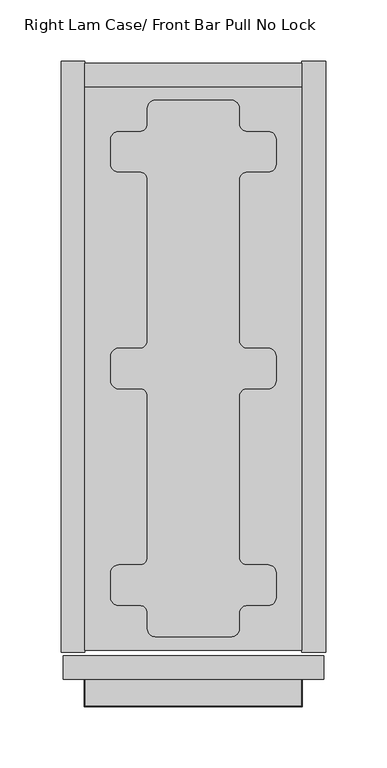
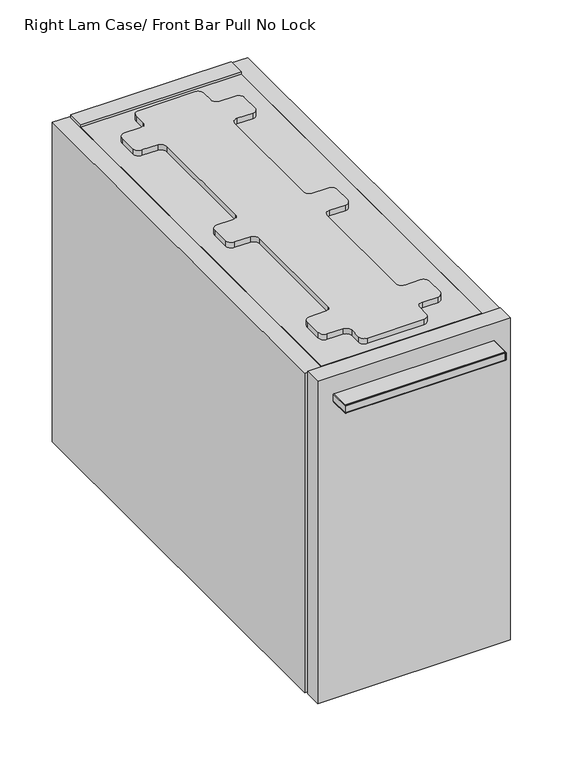
"""IFC4 building model written with IfcOpenShell, lengths in millimetres: furniture geometry, Right Lam Case/ Front Bar Pull No Lock."""

from ifc_helpers import new_model, si_unit, point, frame, frame_2d, origin, place, context, project, spatial, polyline, circle_curve, ellipse_curve, trimmed, segment, composite_curve, outline, extrude, source, transform, mapped, element, save
from ifc_brep_helpers import plane_surface, cylinder_surface, revolved_surface, advanced_brep


def right_lam_case_front_bar_pull_no_lock_b028e070(model_context):
    return source(origin(), model_context, "Body", "SolidModel", [
        advanced_brep(
        [(19.7683778, -581.1520271, 637.437981), (49.4603655, -581.1520271, 637.437981), (49.4637762, -597.06699, 637.437981), (166.4396285, -597.06699, 637.437981), (166.4430392, -581.1520271, 637.437981), (196.1316162, -581.1520271, 637.437981), (196.1316162, -602.6150339, 637.437981), (19.7683778, -602.6150339, 637.437981), (196.1316162, -581.1520271, 646.962981), (19.7683778, -581.1520271, 646.962981), (19.7683778, -602.6150339, 646.962981), (196.1316162, -602.6150339, 646.962981), (165.6442639, -581.1520271, 638.1487745), (159.3341925, -581.1520271, 643.7879532), (56.5658015, -581.1520271, 643.7879532), (50.2557301, -581.1520271, 638.1487745), (56.5658015, -597.06699, 643.7879532), (159.3341925, -597.06699, 643.7879532), (165.6442639, -597.06699, 638.1487745), (50.2557301, -597.06699, 638.1487745)],
        [
            (0, 1),
            (1, 2),
            (2, 3),
            (3, 4),
            (4, 5),
            (5, 6),
            (6, 7),
            (7, 0),
            (8, 9),
            (9, 10),
            (10, 11),
            (11, 8),
            (8, 5),
            (4, 12, circle_curve(frame((166.4396285, -581.1520271, 638.2383687), z_axis=(0.0, 1.0, 0.0), x_axis=(0.0, 0.0, -1.0)), 0.8003949)),
            (12, 13, circle_curve(frame((159.3341925, -581.1520271, 637.4379738), z_axis=(0.0, -1.0, 0.0), x_axis=(0.0, 0.0, -1.0)), 6.3499794)),
            (13, 14),
            (14, 15, circle_curve(frame((56.5658015, -581.1520271, 637.4379738), z_axis=(0.0, -1.0, 0.0), x_axis=(0.0, 0.0, -1.0)), 6.3499794)),
            (15, 1, circle_curve(frame((49.4603655, -581.1520271, 638.2383687), z_axis=(0.0, 1.0, 0.0), x_axis=(0.0, 0.0, -1.0)), 0.8003949)),
            (0, 9),
            (7, 10),
            (6, 11),
            (16, 17),
            (17, 18, circle_curve(frame((159.3341925, -597.06699, 637.4379738), z_axis=(0.0, 1.0, 0.0), x_axis=(0.0, 0.0, -1.0)), 6.3499794)),
            (18, 3, circle_curve(frame((166.4396285, -597.06699, 638.2383687), z_axis=(0.0, -1.0, 0.0), x_axis=(0.0, 0.0, -1.0)), 0.8003949)),
            (2, 19, circle_curve(frame((49.4603655, -597.06699, 638.2383687), z_axis=(0.0, -1.0, 0.0), x_axis=(0.0, 0.0, -1.0)), 0.8003949)),
            (19, 16, circle_curve(frame((56.5658015, -597.06699, 637.4379738), z_axis=(0.0, 1.0, 0.0), x_axis=(0.0, 0.0, -1.0)), 6.3499794)),
            (19, 15),
            (14, 16),
            (18, 12),
            (17, 13),
        ],
        [
            plane_surface(frame((-88.5000089, -581.1520271, 637.437981), z_axis=(0.0, 0.0, -1.0), x_axis=(-1.0, 0.0, 0.0))),
            plane_surface(frame((-88.5000089, -581.1520271, 646.962981), z_axis=(0.0, 0.0, 1.0), x_axis=(1.0, 0.0, 0.0))),
            plane_surface(frame((196.1316162, -581.1520271, 637.437981), z_axis=(0.0, 1.0, 0.0), x_axis=(0.0, 0.0, 1.0))),
            plane_surface(frame((19.7683778, -581.1520271, 637.437981), z_axis=(-1.0, 0.0, 0.0), x_axis=(0.0, 0.0, 1.0))),
            plane_surface(frame((19.7683778, -602.6150339, 637.437981), z_axis=(0.0, -1.0, 0.0), x_axis=(0.0, 0.0, 1.0))),
            plane_surface(frame((196.1316162, -602.6150339, 637.437981), z_axis=(1.0, 0.0, 0.0), x_axis=(0.0, 0.0, 1.0))),
            plane_surface(frame((107.949997, -597.06699, 642.200481), z_axis=(0.0, 1.0, 0.0), x_axis=(-1.0, 0.0, 0.0))),
            revolved_surface(polyline([(56.5658015, -581.1520271, 631.0879944), (56.5658015, -597.06699, 631.0879944)]), (56.5658015, -581.1520271, 637.4379738), (0.0, 1.0, 0.0)),
            cylinder_surface(frame((49.4603655, -581.1520271, 638.2383687), z_axis=(0.0, -1.0, 0.0), x_axis=(0.0, 0.0, -1.0)), 0.8003949),
            cylinder_surface(frame((166.4396285, -581.1520271, 638.2383687), z_axis=(0.0, -1.0, 0.0), x_axis=(0.0, 0.0, -1.0)), 0.8003949),
            revolved_surface(polyline([(159.3341925, -581.1520271, 631.0879944), (159.3341925, -597.06699, 631.0879944)]), (159.3341925, -581.1520271, 637.4379738), (0.0, 1.0, 0.0)),
            plane_surface(frame((159.3341925, -581.1520271, 643.7879532), z_axis=(0.0, 0.0, -1.0), x_axis=(0.0, -1.0, 0.0))),
        ],
        [
            (0, [[1, 2, 3, 4, 5, 6, 7, 8]]),
            (1, [[9, 10, 11, 12]]),
            (2, [[13, -5, 14, 15, 16, 17, 18, -1, 19, -9]]),
            (3, [[20, -10, -19, -8]]),
            (4, [[21, -11, -20, -7]]),
            (5, [[-13, -12, -21, -6]]),
            (6, [[22, 23, 24, -3, 25, 26]]),
            (7, [[27, -17, 28, -26]]),
            (8, [[-2, -18, -27, -25]]),
            (9, [[29, -14, -4, -24]]),
            (10, [[30, -15, -29, -23]]),
            (11, [[-28, -16, -30, -22]]),
        ],
    ),
        advanced_brep(
        [(196.1316162, -581.1520271, 637.4379629), (196.1316162, -581.1520271, 646.9577374), (196.8935973, -581.1520271, 646.1957018), (196.8935973, -581.1520271, 638.1999258), (196.8935973, -603.377015, 638.1999258), (196.1316162, -602.6150339, 637.4379629), (196.8935973, -603.377015, 646.1957018), (196.1316162, -602.6150339, 646.9577374), (19.0063967, -603.377015, 638.1999258), (19.7683778, -602.6150339, 637.4379629), (19.0063967, -603.377015, 646.1957018), (19.7683778, -602.6150339, 646.9577374), (19.7683778, -581.1520271, 637.4379629), (19.0063967, -581.1520271, 638.1999258), (19.0063967, -581.1520271, 646.1957018), (19.7683778, -581.1520271, 646.9577374)],
        [
            (0, 1),
            (1, 2, circle_curve(frame((196.1315617, -581.1520271, 646.1957018), z_axis=(0.0, 1.0, 0.0), x_axis=(-1.0, 0.0, 0.0)), 0.7620356)),
            (2, 3),
            (3, 0, circle_curve(frame((196.1316343, -581.1520271, 638.1999258), z_axis=(0.0, 1.0, 0.0), x_axis=(-1.0, 0.0, 0.0)), 0.7619629)),
            (3, 4),
            (4, 5, ellipse_curve(frame((196.1316343, -602.6150521, 638.1999258), z_axis=(0.7071067811865492, 0.7071067811865458, 0.0), x_axis=(-0.7071067811865457, 0.7071067811865492, 0.0)), 1.0775783, 0.7619629)),
            (5, 0),
            (2, 6),
            (6, 4),
            (1, 7),
            (7, 6, ellipse_curve(frame((196.1315617, -602.6149794, 646.1957018), z_axis=(0.7071067811865492, 0.7071067811865458, 0.0), x_axis=(-0.7071067811865457, 0.7071067811865492, 0.0)), 1.0776811, 0.7620356)),
            (5, 7),
            (4, 8),
            (8, 9, ellipse_curve(frame((19.7683596, -602.6150521, 638.1999258), z_axis=(0.7071067811865458, -0.7071067811865492, 0.0), x_axis=(0.7071067811865492, 0.7071067811865457, 0.0)), 1.0775783, 0.7619629)),
            (9, 5),
            (6, 10),
            (10, 8),
            (7, 11),
            (11, 10, ellipse_curve(frame((19.7684323, -602.6149794, 646.1957018), z_axis=(0.7071067811865458, -0.7071067811865492, 0.0), x_axis=(0.7071067811865492, 0.7071067811865457, 0.0)), 1.0776811, 0.7620356)),
            (9, 11),
            (12, 13, circle_curve(frame((19.7683596, -581.1520271, 638.1999258), z_axis=(0.0, 1.0, 0.0), x_axis=(1.0, 0.0, 0.0)), 0.7619629)),
            (13, 14),
            (14, 15, circle_curve(frame((19.7684323, -581.1520271, 646.1957018), z_axis=(0.0, 1.0, 0.0), x_axis=(1.0, 0.0, 0.0)), 0.7620356)),
            (15, 12),
            (8, 13),
            (12, 9),
            (10, 14),
            (11, 15),
        ],
        [
            plane_surface(frame((196.5959942, -581.1520271, 642.200481), z_axis=(0.0, 1.0, 0.0), x_axis=(0.0, 0.0, 1.0))),
            cylinder_surface(frame((196.1316343, -581.1520271, 638.1999258), z_axis=(0.0, 1.0, 0.0), x_axis=(-1.0, 0.0, 0.0)), 0.7619629),
            plane_surface(frame((196.8935973, -581.1520271, 638.1999258), z_axis=(1.0, 0.0, 0.0), x_axis=(0.0, -1.0, 0.0))),
            cylinder_surface(frame((196.1315617, -581.1520271, 646.1957018), z_axis=(0.0, 1.0, 0.0), x_axis=(-1.0, 0.0, 0.0)), 0.7620356),
            plane_surface(frame((196.1316162, -581.1520271, 646.9577374), z_axis=(-1.0, 0.0, 0.0), x_axis=(0.0, -1.0, 0.0))),
            cylinder_surface(frame((196.5959942, -602.6150521, 638.1999258), z_axis=(1.0, 0.0, 0.0), x_axis=(0.0, 1.0, 0.0)), 0.7619629),
            plane_surface(frame((196.8935973, -603.377015, 638.1999258), z_axis=(0.0, -1.0, 0.0), x_axis=(-1.0, 0.0, 0.0))),
            cylinder_surface(frame((196.5959942, -602.6149794, 646.1957018), z_axis=(1.0, 0.0, 0.0), x_axis=(0.0, 1.0, 0.0)), 0.7620356),
            plane_surface(frame((196.1316162, -602.6150339, 646.9577374), z_axis=(0.0, 1.0, 0.0), x_axis=(-1.0, 0.0, 0.0))),
            plane_surface(frame((19.3039998, -581.1520271, 642.200481), z_axis=(0.0, 1.0, 0.0), x_axis=(0.0, 0.0, 1.0))),
            cylinder_surface(frame((19.7683596, -603.0794119, 638.1999258), z_axis=(0.0, -1.0, 0.0), x_axis=(1.0, 0.0, 0.0)), 0.7619629),
            plane_surface(frame((19.0063967, -603.377015, 638.1999258), z_axis=(-1.0, 0.0, 0.0), x_axis=(0.0, 1.0, 0.0))),
            cylinder_surface(frame((19.7684323, -603.0794119, 646.1957018), z_axis=(0.0, -1.0, 0.0), x_axis=(1.0, 0.0, 0.0)), 0.7620356),
            plane_surface(frame((19.7683778, -602.6150339, 646.9577374), z_axis=(1.0, 0.0, 0.0), x_axis=(0.0, 1.0, 0.0))),
        ],
        [
            (0, [[1, 2, 3, 4]]),
            (1, [[5, 6, 7, -4]]),
            (2, [[8, 9, -5, -3]]),
            (3, [[10, 11, -8, -2]]),
            (4, [[-7, 12, -10, -1]]),
            (5, [[13, 14, 15, -6]]),
            (6, [[16, 17, -13, -9]]),
            (7, [[18, 19, -16, -11]]),
            (8, [[-15, 20, -18, -12]]),
            (9, [[21, 22, 23, 24]]),
            (10, [[25, -21, 26, -14]]),
            (11, [[27, -22, -25, -17]]),
            (12, [[28, -23, -27, -19]]),
            (13, [[-26, -24, -28, -20]]),
        ],
    ),
        extrude(outline(composite_curve([segment(trimmed(circle_curve(frame_2d((139.0999988, -114.4669956)), 6.3499939), [point((139.0999988, -108.1170017))], [point((145.4499927, -114.4669956))], False, "CARTESIAN"), True, "CONTINUOUS"), segment(polyline([(145.4499927, -114.4669956), (145.4499927, -127.2670047)]), True, "CONTINUOUS"), segment(trimmed(circle_curve(frame_2d((151.7999957, -127.2670047)), 6.350003), [point((145.4499927, -127.2670047))], [point((151.7999957, -133.6170077))], True, "CARTESIAN"), True, "CONTINUOUS"), segment(polyline([(151.7999957, -133.6170077), (169.0999981, -133.6170077)]), True, "CONTINUOUS"), segment(trimmed(circle_curve(frame_2d((169.0999981, -139.9670016)), 6.3499939), [point((169.0999981, -133.6170077))], [point((175.449992, -139.9670016))], False, "CARTESIAN"), True, "CONTINUOUS"), segment(polyline([(175.449992, -139.9670016), (175.449992, -160.2670116)]), True, "CONTINUOUS"), segment(trimmed(circle_curve(frame_2d((169.0999936, -160.2670116)), 6.3499985), [point((175.449992, -160.2670116))], [point((169.0999936, -166.6170101))], False, "CARTESIAN"), True, "CONTINUOUS"), segment(polyline([(169.0999936, -166.6170101), (151.7999957, -166.6170101)]), True, "CONTINUOUS"), segment(trimmed(circle_curve(frame_2d((151.7999957, -172.9670131)), 6.350003), [point((151.7999957, -166.6170101))], [point((145.4499927, -172.9670131))], True, "CARTESIAN"), True, "CONTINUOUS"), segment(polyline([(145.4499927, -172.9670131), (145.4499927, -304.2670111)]), True, "CONTINUOUS"), segment(trimmed(circle_curve(frame_2d((151.7999957, -304.2670111)), 6.350003), [point((145.4499927, -304.2670111))], [point((151.7999957, -310.6170141))], True, "CARTESIAN"), True, "CONTINUOUS"), segment(polyline([(151.7999957, -310.6170141), (169.1000163, -310.6170141)]), True, "CONTINUOUS"), segment(trimmed(circle_curve(frame_2d((169.1000163, -316.9669899)), 6.3499758), [point((169.1000163, -310.6170141))], [point((175.449992, -316.9669899))], False, "CARTESIAN"), True, "CONTINUOUS"), segment(polyline([(175.449992, -316.9669899), (175.449992, -337.2670044)]), True, "CONTINUOUS"), segment(trimmed(circle_curve(frame_2d((169.1000163, -337.2670044)), 6.3499758), [point((175.449992, -337.2670044))], [point((169.1000163, -343.6169802))], False, "CARTESIAN"), True, "CONTINUOUS"), segment(polyline([(169.1000163, -343.6169802), (151.7999957, -343.6169802)]), True, "CONTINUOUS"), segment(trimmed(circle_curve(frame_2d((151.7999957, -349.9669832)), 6.350003), [point((151.7999957, -343.6169802))], [point((145.4499927, -349.9669832))], True, "CARTESIAN"), True, "CONTINUOUS"), segment(polyline([(145.4499927, -349.9669832), (145.4499927, -481.2669812)]), True, "CONTINUOUS"), segment(trimmed(circle_curve(frame_2d((151.7999957, -481.2669812)), 6.350003), [point((145.4499927, -481.2669812))], [point((151.7999957, -487.6169842))], True, "CARTESIAN"), True, "CONTINUOUS"), segment(polyline([(151.7999957, -487.6169842), (169.0999936, -487.6169842)]), True, "CONTINUOUS"), segment(trimmed(circle_curve(frame_2d((169.0999936, -493.9669827)), 6.3499985), [point((169.0999936, -487.6169842))], [point((175.449992, -493.9669827))], False, "CARTESIAN"), True, "CONTINUOUS"), segment(polyline([(175.449992, -493.9669827), (175.449992, -514.2669927)]), True, "CONTINUOUS"), segment(trimmed(circle_curve(frame_2d((169.0999981, -514.2669927)), 6.3499939), [point((175.449992, -514.2669927))], [point((169.0999981, -520.6169867))], False, "CARTESIAN"), True, "CONTINUOUS"), segment(polyline([(169.0999981, -520.6169867), (151.7999957, -520.6169867)]), True, "CONTINUOUS"), segment(trimmed(circle_curve(frame_2d((151.7999957, -526.9669897)), 6.350003), [point((151.7999957, -520.6169867))], [point((145.4499927, -526.9669897))], True, "CARTESIAN"), True, "CONTINUOUS"), segment(polyline([(145.4499927, -526.9669897), (145.4499927, -539.7669987)]), True, "CONTINUOUS"), segment(trimmed(circle_curve(frame_2d((139.0999988, -539.7669987)), 6.3499939), [point((145.4499927, -539.7669987))], [point((139.0999988, -546.1169927))], False, "CARTESIAN"), True, "CONTINUOUS"), segment(polyline([(139.0999988, -546.1169927), (76.7999952, -546.1169927)]), True, "CONTINUOUS"), segment(trimmed(circle_curve(frame_2d((76.7999952, -539.7669987)), 6.3499939), [point((76.7999952, -546.1169927))], [point((70.4500012, -539.7669987))], False, "CARTESIAN"), True, "CONTINUOUS"), segment(polyline([(70.4500012, -539.7669987), (70.4500012, -526.9669897)]), True, "CONTINUOUS"), segment(trimmed(circle_curve(frame_2d((64.0999982, -526.9669897)), 6.350003), [point((70.4500012, -526.9669897))], [point((64.0999982, -520.6169867))], True, "CARTESIAN"), True, "CONTINUOUS"), segment(polyline([(64.0999982, -520.6169867), (46.7999959, -520.6169867)]), True, "CONTINUOUS"), segment(trimmed(circle_curve(frame_2d((46.7999959, -514.2669927)), 6.3499939), [point((46.7999959, -520.6169867))], [point((40.4500019, -514.2669927))], False, "CARTESIAN"), True, "CONTINUOUS"), segment(polyline([(40.4500019, -514.2669927), (40.4500019, -493.9669827)]), True, "CONTINUOUS"), segment(trimmed(circle_curve(frame_2d((46.8000004, -493.9669827)), 6.3499985), [point((40.4500019, -493.9669827))], [point((46.8000004, -487.6169842))], False, "CARTESIAN"), True, "CONTINUOUS"), segment(polyline([(46.8000004, -487.6169842), (64.0999982, -487.6169842)]), True, "CONTINUOUS"), segment(trimmed(circle_curve(frame_2d((64.0999982, -481.2669812)), 6.350003), [point((64.0999982, -487.6169842))], [point((70.4500012, -481.2669812))], True, "CARTESIAN"), True, "CONTINUOUS"), segment(polyline([(70.4500012, -481.2669812), (70.4500012, -349.9669832)]), True, "CONTINUOUS"), segment(trimmed(circle_curve(frame_2d((64.0999982, -349.9669832)), 6.350003), [point((70.4500012, -349.9669832))], [point((64.0999982, -343.6169802))], True, "CARTESIAN"), True, "CONTINUOUS"), segment(polyline([(64.0999982, -343.6169802), (46.7999777, -343.6169802)]), True, "CONTINUOUS"), segment(trimmed(circle_curve(frame_2d((46.7999777, -337.2670044)), 6.3499758), [point((46.7999777, -343.6169802))], [point((40.4500019, -337.2670044))], False, "CARTESIAN"), True, "CONTINUOUS"), segment(polyline([(40.4500019, -337.2670044), (40.4500019, -316.9669899)]), True, "CONTINUOUS"), segment(trimmed(circle_curve(frame_2d((46.7999777, -316.9669899)), 6.3499758), [point((40.4500019, -316.9669899))], [point((46.7999777, -310.6170141))], False, "CARTESIAN"), True, "CONTINUOUS"), segment(polyline([(46.7999777, -310.6170141), (64.0999982, -310.6170141)]), True, "CONTINUOUS"), segment(trimmed(circle_curve(frame_2d((64.0999982, -304.2670111)), 6.350003), [point((64.0999982, -310.6170141))], [point((70.4500012, -304.2670111))], True, "CARTESIAN"), True, "CONTINUOUS"), segment(polyline([(70.4500012, -304.2670111), (70.4500012, -172.9670131)]), True, "CONTINUOUS"), segment(trimmed(circle_curve(frame_2d((64.0999982, -172.9670131)), 6.350003), [point((70.4500012, -172.9670131))], [point((64.0999982, -166.6170101))], True, "CARTESIAN"), True, "CONTINUOUS"), segment(polyline([(64.0999982, -166.6170101), (46.8000004, -166.6170101)]), True, "CONTINUOUS"), segment(trimmed(circle_curve(frame_2d((46.8000004, -160.2670116)), 6.3499985), [point((46.8000004, -166.6170101))], [point((40.4500019, -160.2670116))], False, "CARTESIAN"), True, "CONTINUOUS"), segment(polyline([(40.4500019, -160.2670116), (40.4500019, -139.9670016)]), True, "CONTINUOUS"), segment(trimmed(circle_curve(frame_2d((46.7999959, -139.9670016)), 6.3499939), [point((40.4500019, -139.9670016))], [point((46.7999959, -133.6170077))], False, "CARTESIAN"), True, "CONTINUOUS"), segment(polyline([(46.7999959, -133.6170077), (64.0999982, -133.6170077)]), True, "CONTINUOUS"), segment(trimmed(circle_curve(frame_2d((64.0999982, -127.2670047)), 6.350003), [point((64.0999982, -133.6170077))], [point((70.4500012, -127.2670047))], True, "CARTESIAN"), True, "CONTINUOUS"), segment(polyline([(70.4500012, -127.2670047), (70.4500012, -114.4669956)]), True, "CONTINUOUS"), segment(trimmed(circle_curve(frame_2d((76.7999952, -114.4669956)), 6.3499939), [point((70.4500012, -114.4669956))], [point((76.7999952, -108.1170017))], False, "CARTESIAN"), True, "CONTINUOUS"), segment(polyline([(76.7999952, -108.1170017), (139.0999988, -108.1170017)]), True, "CONTINUOUS")], self_intersect=False)), frame((0.0, 0.0, 664.4129333), z_axis=(0.0, 0.0, 1.0), x_axis=(1.0, 0.0, 0.0)), (0.0, 0.0, 1.0), 6.3500484),
        extrude(outline(polyline([(19.3039998, -557.2409866), (19.3039998, -96.9930077), (196.5959942, -96.9930077), (196.5959942, -557.2409866), (19.3039998, -557.2409866)])), frame((0.0, 0.0, 645.1089518), z_axis=(0.0, 0.0, 1.0), x_axis=(1.0, 0.0, 0.0)), (0.0, 0.0, 1.0), 19.3039816),
        extrude(outline(polyline([(19.3039998, -557.2409866), (19.3039998, -96.9930077), (196.5959942, -96.9930077), (196.5959942, -557.2409866), (19.3039998, -557.2409866)])), frame((0.0, 0.0, 291.2879432), z_axis=(0.0, 0.0, 1.0), x_axis=(1.0, 0.0, 0.0)), (0.0, 0.0, 1.0), 19.3039998),
        extrude(outline(polyline([(19.3039998, -77.6890261), (196.5959942, -77.6890261), (196.5959942, -96.9930077), (19.3039998, -96.9930077), (19.3039998, -77.6890261)])), frame((0.0, 0.0, 291.2879432), z_axis=(0.0, 0.0, 1.0), x_axis=(1.0, 0.0, 0.0)), (0.0, 0.0, 1.0), 376.3000144),
        extrude(outline(polyline([(19.3039998, -558.7650215), (0.0, -558.7650215), (0.0, -76.1649912), (19.3039998, -76.1649912), (19.3039998, -558.7650215)])), frame((0.0, 0.0, 291.2879432), z_axis=(0.0, 0.0, 1.0), x_axis=(1.0, 0.0, 0.0)), (0.0, 0.0, 1.0), 373.1249901),
        extrude(outline(polyline([(196.5959942, -558.7650215), (196.5959942, -76.1649912), (215.8999939, -76.1649912), (215.8999939, -558.7650215), (196.5959942, -558.7650215)])), frame((0.0, 0.0, 291.2879432), z_axis=(0.0, 0.0, 1.0), x_axis=(1.0, 0.0, 0.0)), (0.0, 0.0, 1.0), 373.1249901),
        extrude(outline(polyline([(1.5748, -561.8480455), (214.325194, -561.8480455), (214.325194, -581.1520271), (1.5748, -581.1520271), (1.5748, -561.8480455)])), frame((0.0, 0.0, 291.2879432), z_axis=(0.0, 0.0, 1.0), x_axis=(1.0, 0.0, 0.0)), (0.0, 0.0, 1.0), 376.3000144),
    ])


if __name__ == "__main__":
    model = new_model("IFC4")
    model_context = context("Model", 3, world=origin())
    ifc_project = project(units=[si_unit("LENGTHUNIT", "METRE", prefix="MILLI")], contexts=[model_context])
    site = spatial("IfcSite", under=ifc_project)
    building = spatial("IfcBuilding", under=site)
    placement = place(None, origin())
    right_lam_case_front_bar_pull_no_lock_shape = right_lam_case_front_bar_pull_no_lock_b028e070(model_context)
    element("IfcFurniture", 1, ObjectType="Right Lam Case/ Front Bar Pull No Lock", at=placement, inside=building, context=model_context, shape_type="MappedRepresentation", body=[
        mapped(right_lam_case_front_bar_pull_no_lock_shape, transform((0.0, 0.0, 0.0), x_axis=(1.0, 0.0, 0.0), y_axis=(0.0, 1.0, 0.0), z_axis=(0.0, 0.0, 1.0))),
    ])
    save(model, "model.ifc")
